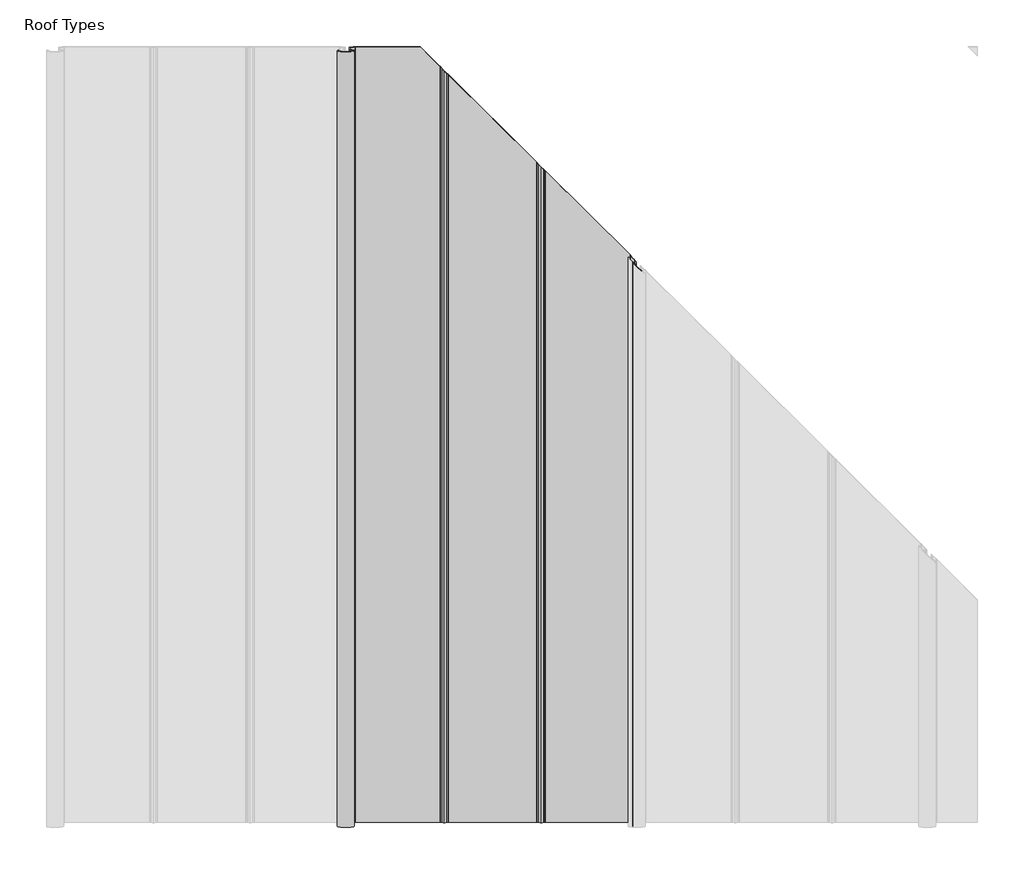
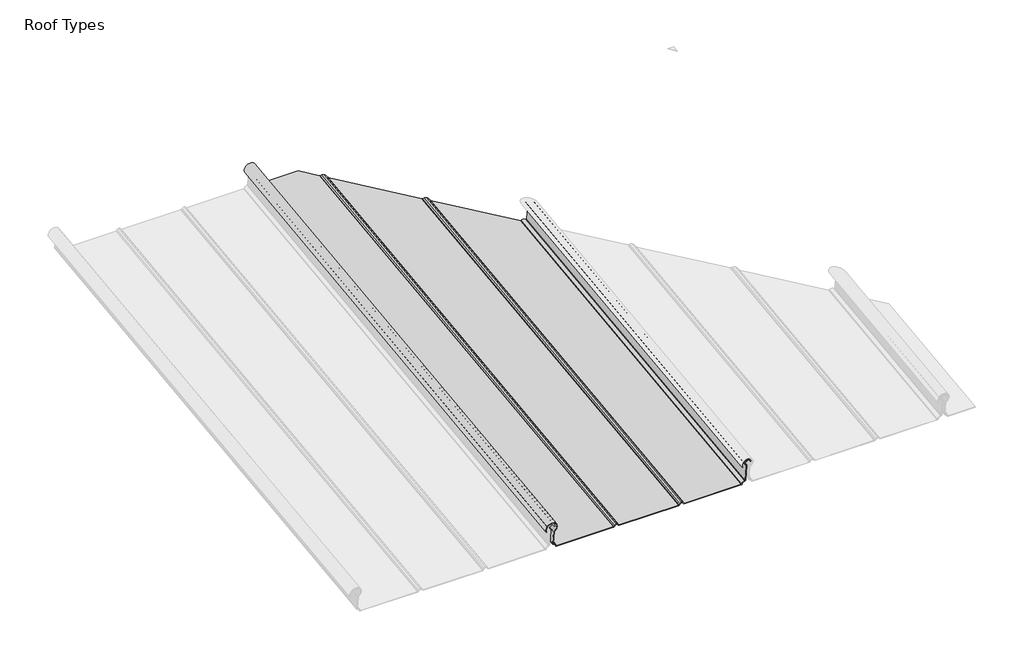
# One storey, part 2 of 3: 1 plate.
"""IFC4 building model written with IfcOpenShell, lengths in millimetres."""

import ifcopenshell
import ifcopenshell.guid

model = None  # the IFC model being written
_history = None  # IfcOwnerHistory: only IFC2X3 demands one
_inside = {}  # id of a spatial element -> (the spatial element, [elements in it])
_under = {}  # id of a project, library or spatial element -> (it, [spatial elements below it])
_declared = {}  # id of a project -> (the project, [libraries it declares])
_typed = {}  # id of a type object -> (the type object, [elements of that type])
_made_of = {}  # id of a material, layer set ... -> (it, [elements and type objects made of it])


def new_model(schema):
    """Start an empty IFC model of exactly this schema.

    Asked for "IFC4X3", IfcOpenShell would pick the latest addendum, in which some entities
    have other attributes; the version numbers below select the first issue.
    IFC2X3 requires an IfcOwnerHistory on every rooted entity: one is made here for all.
    """
    global model, _history
    if schema == "IFC4X3":
        model = ifcopenshell.file(schema_version=(4, 3, 0, 0))
    else:
        model = ifcopenshell.file(schema=schema)
    _inside.clear()
    _under.clear()
    _declared.clear()
    _typed.clear()
    _made_of.clear()
    _history = None
    if model.schema == "IFC2X3":
        org = make("IfcOrganization", Name="unknown")
        user = make(
            "IfcPersonAndOrganization",
            ThePerson=make("IfcPerson", FamilyName="unknown"),
            TheOrganization=org,
        )
        app = make(
            "IfcApplication",
            ApplicationDeveloper=org,
            Version="unknown",
            ApplicationFullName="unknown",
            ApplicationIdentifier="unknown",
        )
        _history = make(
            "IfcOwnerHistory",
            OwningUser=user,
            OwningApplication=app,
            ChangeAction="ADDED",
            CreationDate=0,
        )
    return model


def make(cls, **values):
    """One entity of the class cls with the attributes given. An attribute that is None is left unset."""
    return model.create_entity(
        cls, **{name: value for name, value in values.items() if value is not None}
    )


def rooted(cls, **values):
    """An entity with a GlobalId (a new one), such as an element, a storey or a relation."""
    return make(cls, GlobalId=ifcopenshell.guid.new(), OwnerHistory=_history, **values)


def si_unit(unit_type, name, prefix=None):
    """IfcSIUnit, for example si_unit("LENGTHUNIT", "METRE", prefix="MILLI")."""
    return make("IfcSIUnit", UnitType=unit_type, Prefix=prefix, Name=name)


def assignment(units):
    """IfcUnitAssignment: the units of a project."""
    return None if units is None else make("IfcUnitAssignment", Units=units)


def point(xyz):
    """IfcCartesianPoint."""
    return None if xyz is None else make("IfcCartesianPoint", Coordinates=xyz)


def direction(xyz):
    """IfcDirection."""
    return None if xyz is None else make("IfcDirection", DirectionRatios=xyz)


def frame(location, z_axis=None, x_axis=None):
    """IfcAxis2Placement3D, a coordinate frame: its origin and axes. An axis left out is left unset."""
    return make(
        "IfcAxis2Placement3D",
        Location=point(location),
        Axis=direction(z_axis),
        RefDirection=direction(x_axis),
    )


def origin():
    """The frame at (0, 0, 0) with its axes left unset."""
    return frame((0.0, 0.0, 0.0))


def place(relative_to, where):
    """IfcLocalPlacement: puts the frame where relative to a parent placement (None: the world)."""
    return make(
        "IfcLocalPlacement", PlacementRelTo=relative_to, RelativePlacement=where
    )


def context(
    kind, dimensions, precision=None, world=None, true_north=None, identifier=None
):
    """IfcGeometricRepresentationContext, for example the 3D "Model" context."""
    return make(
        "IfcGeometricRepresentationContext",
        ContextIdentifier=identifier,
        ContextType=kind,
        CoordinateSpaceDimension=dimensions,
        Precision=precision,
        WorldCoordinateSystem=world,
        TrueNorth=true_north,
    )


def project(units=None, contexts=None):
    """IfcProject with its units and contexts."""
    return rooted(
        "IfcProject",
        Name="project",
        RepresentationContexts=contexts,
        UnitsInContext=assignment(units),
    )


def spatial(cls, under=None, at=None, **own):
    """A site, building, storey or space (cls), placed at a placement, below another one or the project."""
    s = rooted(cls, ObjectPlacement=at, **own)
    if under is not None:
        _under.setdefault(under.id(), (under, []))[1].append(s)
    return s


def polyline(points):
    """IfcPolyline through the points."""
    return make("IfcPolyline", Points=[point(p) for p in points])


def circle_curve(where, radius):
    """IfcCircle in the frame where."""
    return make("IfcCircle", Position=where, Radius=radius)


def ellipse_curve(where, semi_axis1, semi_axis2):
    """IfcEllipse in the frame where."""
    return make(
        "IfcEllipse", Position=where, SemiAxis1=semi_axis1, SemiAxis2=semi_axis2
    )


def shape(context_of_items, identifier, shape_type, items):
    """IfcShapeRepresentation: the items that make up one representation, for example the "Body"."""
    return make(
        "IfcShapeRepresentation",
        ContextOfItems=context_of_items,
        RepresentationIdentifier=identifier,
        RepresentationType=shape_type,
        Items=items,
    )


def made_of(thing, what):
    """Note that an element or type object is made of a material, layer set ...; save() writes the relation."""
    if what is not None:
        _made_of.setdefault(what.id(), (what, []))[1].append(thing)
    return thing


def element(
    cls,
    number,
    at=None,
    inside=None,
    cuts=None,
    type_object=None,
    material=None,
    context=None,
    identifier="Body",
    shape_type=None,
    held_by="IfcProductDefinitionShape",
    body=None,
    shapes=None,
    **own,
):
    """One element of the class cls, such as IfcWall. Its Tag is "e" and its number.

    at: its placement. inside: the storey or other place that contains it. cuts: it is an
    opening in that element (IfcRelVoidsElement). A single representation is given by context,
    identifier, shape_type and body (its items); several are given by shapes. held_by: the class
    of the entity that holds the representations. save() writes the other relations.
    """
    e = rooted(cls, Tag="e%d" % number, ObjectPlacement=at, **own)
    if body is not None:
        shapes = [shape(context, identifier, shape_type, body)]
    if shapes is not None:
        e.Representation = make(held_by, Representations=shapes)
    if inside is not None:
        _inside.setdefault(inside.id(), (inside, []))[1].append(e)
    if cuts is not None:
        rooted(
            "IfcRelVoidsElement", RelatingBuildingElement=cuts, RelatedOpeningElement=e
        )
    if type_object is not None:
        _typed.setdefault(type_object.id(), (type_object, []))[1].append(e)
    return made_of(e, material)


def aggregate(whole, parts):
    """IfcRelAggregates: a whole, such as a stair, and the parts it consists of."""
    return rooted("IfcRelAggregates", RelatingObject=whole, RelatedObjects=parts)


def save(model, path):
    """Write the relations noted so far, then the file.

    IfcRelAggregates (storeys below a building ...), IfcRelContainedInSpatialStructure (elements
    in a storey), IfcRelDefinesByType, IfcRelAssociatesMaterial and IfcRelDeclares: one each for
    every whole, place, type object, material and project.
    """
    for whole, parts in _under.values():
        aggregate(whole, parts)
    for where, things in _inside.values():
        rooted(
            "IfcRelContainedInSpatialStructure",
            RelatedElements=things,
            RelatingStructure=where,
        )
    for kind, things in _typed.values():
        rooted("IfcRelDefinesByType", RelatedObjects=things, RelatingType=kind)
    for what, things in _made_of.values():
        rooted("IfcRelAssociatesMaterial", RelatedObjects=things, RelatingMaterial=what)
    for by, libraries in _declared.values():
        rooted("IfcRelDeclares", RelatingContext=by, RelatedDefinitions=libraries)
    model.write(path)


def plane_surface(at):
    """IfcPlane: the flat surface through the origin of the frame at, square to its z axis."""
    return make("IfcPlane", Position=at)


def cylinder_surface(at, radius):
    """IfcCylindricalSurface: all points at the distance radius from the z axis of the frame at."""
    return make("IfcCylindricalSurface", Position=at, Radius=radius)


def revolved_surface(curve, axis_point, axis_direction):
    """IfcSurfaceOfRevolution: the curve turned about the line through axis_point along axis_direction."""
    return make(
        "IfcSurfaceOfRevolution",
        SweptCurve=make("IfcArbitraryOpenProfileDef", ProfileType="CURVE", Curve=curve),
        AxisPosition=make("IfcAxis1Placement", Location=point(axis_point), Axis=direction(axis_direction)),
    )


def advanced_brep(points, edges, surfaces, faces):
    """IfcAdvancedBrep: a solid bounded by faces that lie on surfaces and meet in shared edges.

    An edge is (start, end): straight between two places in points (the first is 0);
    or (start, end, curve); or (start, end, curve, False) where it runs against its curve.
    A face is (place in surfaces, loops), or (place, loops, False) where it looks against
    its surface's normal. A loop lists edges by number (the first is 1), with a minus sign
    where the edge is run from its end to its start. The first loop is the outer one.
    """
    corners = [point(p) for p in points]
    vertices = [make("IfcVertexPoint", VertexGeometry=c) for c in corners]
    made = []
    for start, end, *more in edges:
        made.append(
            make(
                "IfcEdgeCurve",
                EdgeStart=vertices[start],
                EdgeEnd=vertices[end],
                EdgeGeometry=more[0] if more else make("IfcPolyline", Points=[corners[start], corners[end]]),
                SameSense=more[1] if len(more) > 1 else True,
            )
        )
    hull = []
    for where, loops, *sense in faces:
        bounds = []
        for j, loop in enumerate(loops):
            ring = [make("IfcOrientedEdge", EdgeElement=made[abs(k) - 1], Orientation=k > 0) for k in loop]
            bounds.append(
                make(
                    "IfcFaceOuterBound" if j == 0 else "IfcFaceBound",
                    Bound=make("IfcEdgeLoop", EdgeList=ring),
                    Orientation=True,
                )
            )
        hull.append(make("IfcAdvancedFace", Bounds=bounds, FaceSurface=surfaces[where], SameSense=sense[0] if sense else True))
    return make("IfcAdvancedBrep", Outer=make("IfcClosedShell", CfsFaces=hull))


model = new_model("IFC4")

# Units and contexts
model_context = context("Model", 3, world=origin())
ifc_project = project(units=[si_unit("LENGTHUNIT", "METRE", prefix="MILLI")], contexts=[model_context])

# Site, building, storey
site = spatial("IfcSite", under=ifc_project)
building = spatial("IfcBuilding", under=site)
storey = spatial("IfcBuildingStorey", under=building, Name="Roof Types", Elevation=2400.0)

# Plate
placement = place(None, origin())
element("IfcPlate", 1, at=placement, inside=storey, context=model_context, shape_type="AdvancedBrep", body=[
    advanced_brep(
    [(-183.6247248, 13315.1140164, 41.59074), (-202.0517671, 13314.4813104, 46.7437172), (-201.1602812, 13314.4219175, 47.2274334), (-184.6407248, 13315.0404241, 42.1901011), (-184.6407248, 13319.0591483, 9.4602195), (-182.3697344, 13319.3359124, 7.2061566), (-177.2278209, 13319.962554, 2.1025701), (-175.1094609, 13320.2207172, 0.0), (-42.3503564, 13320.2207172, 0.0), (-40.6664291, 13320.093939, 1.0325252), (-38.4198687, 13319.7552396, 3.7910104), (-35.4823916, 13319.5449191, 5.5039334), (-32.5445689, 13319.7551679, 3.7915944), (-30.2918084, 13320.094663, 1.0266291), (-28.5386633, 13320.2207172, 0.0), (109.9830552, 13320.2207172, 0.0), (111.6669825, 13320.093939, 1.0325252), (113.9135429, 13319.7552396, 3.7910104), (116.85102, 13319.5449191, 5.5039334), (119.7888427, 13319.7551679, 3.7915944), (122.0416031, 13320.094663, 1.0266291), (123.7947483, 13320.2207172, 0.0), (256.4780111, 13320.2207172, 0.0), (258.5963711, 13319.962554, 2.1025701), (263.7382846, 13319.3359124, 7.2061566), (266.0092751, 13319.0591483, 9.4602195), (266.0092751, 13314.3398003, 47.8962246), (264.3510259, 13313.9998723, 50.6647154), (261.3320062, 13313.1306946, 57.7435998), (262.5458338, 13312.9930366, 58.8647344), (264.3485836, 13312.7651145, 60.7210105), (265.4327985, 13312.6122305, 61.9661508), (273.5389478, 13313.3382534, 56.0531693), (274.5549331, 13313.338919, 56.0477485), (265.1242045, 13312.4942609, 62.9269364), (263.3460921, 13312.7449907, 60.8849063), (262.3440026, 13312.8716851, 59.8530633), (260.3533253, 13313.0974442, 58.0144026), (263.8656656, 13314.1086493, 49.7787984), (264.9932752, 13314.3398003, 47.8962246), (264.9932752, 13319.0591483, 9.4602195), (263.7382846, 13319.2120931, 8.2145835), (257.5803711, 13319.962554, 2.1025701), (256.4780111, 13320.0968979, 1.0084269), (123.8583311, 13320.0968979, 1.0084269), (122.7297066, 13320.0175548, 1.6546249), (120.4769461, 13319.6780597, 4.4195902), (116.8509418, 13319.4193672, 6.526472), (113.2253597, 13319.6781482, 4.4188695), (110.9731572, 13320.0176982, 1.6534564), (109.8500289, 13320.0968979, 1.0084269), (-28.4750805, 13320.0968979, 1.0084269), (-29.603705, 13320.0175548, 1.6546249), (-31.8564654, 13319.6780597, 4.4195902), (-35.4824698, 13319.4193672, 6.526472), (-39.1080519, 13319.6781482, 4.4188695), (-41.3602544, 13320.0176982, 1.6534564), (-42.4833827, 13320.0968979, 1.0084269), (-175.1094609, 13320.0968979, 1.0084269), (-176.2118209, 13319.962554, 2.1025701), (-182.3697344, 13319.2120931, 8.2145835), (-183.6247248, 13319.0591483, 9.4602195), (-183.6247248, 14534.3140164, 191.2896767), (-183.6247248, 14538.2591483, 159.1591561), (-182.3697344, 14538.4120931, 157.9135201), (-176.2118209, 14539.162554, 151.8015067), (-175.1094609, 14539.2968979, 150.7073635), (-73.5367456, 14539.2968979, 150.7073635), (-73.5367456, 14539.4207172, 149.6989367), (-175.1094609, 14539.4207172, 149.6989367), (-177.2278209, 14539.162554, 151.8015067), (-182.3697344, 14538.5359124, 156.9050932), (-184.6407248, 14538.2591483, 159.1591561), (-184.6407248, 14534.2404241, 191.8890378), (-201.1602812, 14533.6219175, 196.9263701), (-202.0517671, 14533.6813104, 196.4426538), (123.7947483, 14343.5601023, 125.6502771), (256.4780111, 14211.8658404, 109.4802549), (258.5963711, 14209.5051072, 111.3246619), (263.7382846, 14203.7748791, 115.8016068), (266.0092751, 14201.2440522, 117.7789055), (266.0092751, 14196.5247041, 156.2149107), (264.3510259, 14197.8306651, 159.1854912), (261.3320062, 14199.9580037, 166.6323016), (262.5458338, 14198.6155658, 167.6055077), (264.3485836, 14196.5983314, 169.2420839), (265.4327985, 14195.369314, 170.3550917), (273.5389478, 14188.0496096, 163.4542191), (274.5549331, 14187.0418629, 163.3249808), (265.1242045, 14195.5576382, 171.3534854), (263.3460921, 14197.5732266, 169.5281527), (262.3440026, 14198.694541, 168.6184337), (260.3533253, 14200.8961393, 167.0223756), (263.8656656, 14198.4211844, 158.3587247), (264.9932752, 14197.5331309, 156.3387299), (264.9932752, 14202.252479, 117.9027248), (263.7382846, 14203.6510599, 116.8100337), (257.5803711, 14210.5135341, 111.4484811), (256.4780111, 14211.7420212, 110.4886818), (-42.4833827, 14508.475002, 146.9229106), (-28.5386633, 14494.7580438, 144.2150499), (109.9830552, 14357.2688452, 127.333499), (111.6669825, 14355.4706915, 128.1608051), (113.9135429, 14352.9021772, 130.6455035), (116.85102, 14349.776275, 132.0004381), (119.7888427, 14347.0705992, 129.9300685), (122.0416031, 14345.1741256, 126.8905608), (123.8583311, 14343.3731742, 126.6509552), (122.7297066, 14344.414043, 127.4346979), (120.4769461, 14346.3105166, 130.4742056), (116.8509418, 14349.6508007, 133.0229862), (113.2253597, 14353.5081393, 131.357231), (110.9731572, 14356.0831043, 128.8662924), (109.8500289, 14357.2770606, 128.3581377), (-42.3503564, 14508.4667866, 145.8982719), (-40.6664291, 14506.6686329, 146.7255779), (-38.4198687, 14504.1001186, 149.2102764), (-35.4823916, 14500.9742165, 150.5652109), (-32.5445689, 14498.2685406, 148.4948413), (-30.2918084, 14496.372067, 145.4553336), (-28.4750805, 14494.5711157, 145.215728), (-29.603705, 14495.6119844, 145.9994707), (-31.8564654, 14497.5084581, 149.0389784), (-35.4824698, 14500.8487422, 151.587759), (-39.1080519, 14504.7060808, 149.9220038), (-41.3602544, 14507.2810457, 147.4310652)],
    [
        (0, 1, circle_curve(frame((-190.2963131, 13313.6981344, 53.1221735), z_axis=(0.0, -0.9925461516413204, -0.1218693434051611), x_axis=(-1.0, 0.0, 0.0)), 13.3973418)),
        (1, 2),
        (2, 3, circle_curve(frame((-190.2963131, 13313.6981344, 53.1221735), z_axis=(0.0, 0.9925461516413204, 0.1218693434051611), x_axis=(-1.0, 0.0, 0.0)), 12.3813418)),
        (3, 4),
        (4, 5, circle_curve(frame((-182.3697343, 13319.0591483, 9.4602195), z_axis=(0.0, -0.9925461516413204, -0.1218693434051611), x_axis=(-1.0, 0.0, 0.0)), 2.2709905)),
        (5, 6, circle_curve(frame((-182.3697344, 13319.962554, 2.1025701), z_axis=(0.0, 0.9925461516413204, 0.1218693434051611), x_axis=(-1.0, 0.0, 0.0)), 5.1419136)),
        (6, 7, circle_curve(frame((-175.1094609, 13319.962554, 2.1025701), z_axis=(0.0, -0.9925461516413204, -0.1218693434051611), x_axis=(-1.0, 0.0, 0.0)), 2.11836)),
        (7, 8),
        (8, 9, circle_curve(frame((-42.6242723, 13319.9371951, 2.3091021), z_axis=(0.0, -0.9925461516413204, -0.1218693434051611), x_axis=(-1.0, 0.0, 0.0)), 2.342513)),
        (9, 10),
        (10, 11, circle_curve(frame((-35.1716276, 13320.0192103, 1.6411417), z_axis=(0.0, 0.9925461516413204, 0.1218693434051611), x_axis=(-1.0, 0.0, 0.0)), 3.9041883)),
        (11, 12, circle_curve(frame((-35.7923761, 13320.0192179, 1.64108), z_axis=(0.0, 0.9925461516413204, 0.1218693434051611), x_axis=(-1.0, 0.0, 0.0)), 3.9041883)),
        (12, 13),
        (13, 14, circle_curve(frame((-28.3431241, 13319.936233, 2.3169377), z_axis=(0.0, -0.9925461516413204, -0.1218693434051611), x_axis=(-1.0, 0.0, 0.0)), 2.342513)),
        (14, 15),
        (15, 16, circle_curve(frame((109.7091393, 13319.9371951, 2.3091021), z_axis=(0.0, -0.9925461516413204, -0.1218693434051611), x_axis=(-1.0, 0.0, 0.0)), 2.342513)),
        (16, 17),
        (17, 18, circle_curve(frame((117.161784, 13320.0192103, 1.6411417), z_axis=(0.0, 0.9925461516413204, 0.1218693434051611), x_axis=(-1.0, 0.0, 0.0)), 3.9041883)),
        (18, 19, circle_curve(frame((116.5410355, 13320.0192179, 1.64108), z_axis=(0.0, 0.9925461516413204, 0.1218693434051611), x_axis=(-1.0, 0.0, 0.0)), 3.9041883)),
        (19, 20),
        (20, 21, circle_curve(frame((123.9902875, 13319.936233, 2.3169377), z_axis=(0.0, -0.9925461516413204, -0.1218693434051611), x_axis=(-1.0, 0.0, 0.0)), 2.342513)),
        (21, 22),
        (22, 23, circle_curve(frame((256.4780111, 13319.962554, 2.1025701), z_axis=(0.0, -0.9925461516413204, -0.1218693434051611), x_axis=(-1.0, 0.0, 0.0)), 2.11836)),
        (23, 24, circle_curve(frame((263.7382847, 13319.962554, 2.1025701), z_axis=(0.0, 0.9925461516413204, 0.1218693434051611), x_axis=(-1.0, 0.0, 0.0)), 5.1419136)),
        (24, 25, circle_curve(frame((263.7382846, 13319.0591483, 9.4602195), z_axis=(0.0, -0.9925461516413204, -0.1218693434051611), x_axis=(-1.0, 0.0, 0.0)), 2.2709905)),
        (25, 26),
        (26, 27, circle_curve(frame((262.8342752, 13314.3398003, 47.8962246), z_axis=(0.0, -0.9925461516413204, -0.1218693434051611), x_axis=(-1.0, 0.0, 0.0)), 3.175)),
        (27, 28, circle_curve(frame((267.3213293, 13313.3341801, 56.0863433), z_axis=(0.0, 0.9925461516413204, 0.1218693434051611), x_axis=(-1.0, 0.0, 0.0)), 6.2177083)),
        (28, 29, circle_curve(frame((262.8611951, 13313.1826484, 57.3204705), z_axis=(0.0, 0.9925461516413204, 0.1218693434051611), x_axis=(-1.0, 0.0, 0.0)), 1.5875)),
        (29, 30, circle_curve(frame((262.091395, 13312.7198041, 61.0900347), z_axis=(0.0, -0.9925461516413204, -0.1218693434051611), x_axis=(-1.0, 0.0, 0.0)), 2.287604)),
        (30, 31, circle_curve(frame((265.9149766, 13312.7965581, 60.4649234), z_axis=(0.0, 0.9925461516413204, 0.1218693434051611), x_axis=(-1.0, 0.0, 0.0)), 1.5875)),
        (31, 32, circle_curve(frame((267.3213293, 13313.3341801, 56.0863433), z_axis=(0.0, 0.9925461516413204, 0.1218693434051611), x_axis=(-1.0, 0.0, 0.0)), 6.2177083)),
        (32, 33),
        (33, 34, circle_curve(frame((267.3213293, 13313.3341801, 56.0863433), z_axis=(0.0, -0.9925461516413204, -0.1218693434051611), x_axis=(-1.0, 0.0, 0.0)), 7.2337083)),
        (34, 35, circle_curve(frame((265.9149766, 13312.7965581, 60.4649234), z_axis=(0.0, -0.9925461516413204, -0.1218693434051611), x_axis=(-1.0, 0.0, 0.0)), 2.6035)),
        (35, 36, circle_curve(frame((262.091395, 13312.7198041, 61.0900347), z_axis=(0.0, 0.9925461516413204, 0.1218693434051611), x_axis=(-1.0, 0.0, 0.0)), 1.271604)),
        (36, 37, circle_curve(frame((262.8611951, 13313.1826484, 57.3204705), z_axis=(0.0, -0.9925461516413204, -0.1218693434051611), x_axis=(-1.0, 0.0, 0.0)), 2.6035)),
        (37, 38, circle_curve(frame((267.3213293, 13313.3341801, 56.0863433), z_axis=(0.0, -0.9925461516413204, -0.1218693434051611), x_axis=(-1.0, 0.0, 0.0)), 7.2337083)),
        (38, 39, circle_curve(frame((262.8342752, 13314.3398003, 47.8962246), z_axis=(0.0, 0.9925461516413204, 0.1218693434051611), x_axis=(-1.0, 0.0, 0.0)), 2.159)),
        (39, 40),
        (40, 41, circle_curve(frame((263.7382846, 13319.0591483, 9.4602195), z_axis=(0.0, 0.9925461516413204, 0.1218693434051611), x_axis=(-1.0, 0.0, 0.0)), 1.2549905)),
        (41, 42, circle_curve(frame((263.7382847, 13319.962554, 2.1025701), z_axis=(0.0, -0.9925461516413204, -0.1218693434051611), x_axis=(-1.0, 0.0, 0.0)), 6.1579136)),
        (42, 43, circle_curve(frame((256.4780111, 13319.962554, 2.1025701), z_axis=(0.0, 0.9925461516413204, 0.1218693434051611), x_axis=(-1.0, 0.0, 0.0)), 1.10236)),
        (43, 44),
        (44, 45, circle_curve(frame((124.0068821, 13319.9066227, 2.5580937), z_axis=(0.0, 0.9925461516413204, 0.1218693434051611), x_axis=(-1.0, 0.0, 0.0)), 1.5683556)),
        (45, 46),
        (46, 47, circle_curve(frame((116.5410355, 13319.9906547, 1.873708), z_axis=(0.0, -0.9925461516413204, -0.1218693434051611), x_axis=(-1.0, 0.0, 0.0)), 4.6979383)),
        (47, 48, circle_curve(frame((117.1617838, 13319.9906472, 1.8737696), z_axis=(0.0, -0.9925461516413204, -0.1218693434051611), x_axis=(-1.0, 0.0, 0.0)), 4.6979382)),
        (48, 49),
        (49, 50, circle_curve(frame((109.6988758, 13319.9071872, 2.5534969), z_axis=(0.0, 0.9925461516413204, 0.1218693434051611), x_axis=(-1.0, 0.0, 0.0)), 1.5639945)),
        (50, 51),
        (51, 52, circle_curve(frame((-28.3265295, 13319.9066227, 2.5580937), z_axis=(0.0, 0.9925461516413204, 0.1218693434051611), x_axis=(-1.0, 0.0, 0.0)), 1.5683556)),
        (52, 53),
        (53, 54, circle_curve(frame((-35.7923761, 13319.9906547, 1.873708), z_axis=(0.0, -0.9925461516413204, -0.1218693434051611), x_axis=(-1.0, 0.0, 0.0)), 4.6979383)),
        (54, 55, circle_curve(frame((-35.1716278, 13319.9906472, 1.8737696), z_axis=(0.0, -0.9925461516413204, -0.1218693434051611), x_axis=(-1.0, 0.0, 0.0)), 4.6979382)),
        (55, 56),
        (56, 57, circle_curve(frame((-42.6345358, 13319.9071872, 2.5534969), z_axis=(0.0, 0.9925461516413204, 0.1218693434051611), x_axis=(-1.0, 0.0, 0.0)), 1.5639945)),
        (57, 58),
        (58, 59, circle_curve(frame((-175.1094609, 13319.962554, 2.1025701), z_axis=(0.0, 0.9925461516413204, 0.1218693434051611), x_axis=(-1.0, 0.0, 0.0)), 1.10236)),
        (59, 60, circle_curve(frame((-182.3697344, 13319.962554, 2.1025701), z_axis=(0.0, -0.9925461516413204, -0.1218693434051611), x_axis=(-1.0, 0.0, 0.0)), 6.1579136)),
        (60, 61, circle_curve(frame((-182.3697343, 13319.0591483, 9.4602195), z_axis=(0.0, 0.9925461516413204, 0.1218693434051611), x_axis=(-1.0, 0.0, 0.0)), 1.2549905)),
        (61, 0),
        (62, 63),
        (63, 64, circle_curve(frame((-182.3697343, 14538.2591483, 159.1591561), z_axis=(0.0, -0.9925461516413204, -0.1218693434051611), x_axis=(-1.0, 0.0, 0.0)), 1.2549905)),
        (64, 65, circle_curve(frame((-182.3697344, 14539.162554, 151.8015067), z_axis=(0.0, 0.9925461516413204, 0.1218693434051611), x_axis=(-1.0, 0.0, 0.0)), 6.1579136)),
        (65, 66, circle_curve(frame((-175.1094609, 14539.162554, 151.8015067), z_axis=(0.0, -0.9925461516413204, -0.1218693434051611), x_axis=(-1.0, 0.0, 0.0)), 1.10236)),
        (66, 67),
        (67, 68),
        (68, 69),
        (69, 70, circle_curve(frame((-175.1094609, 14539.162554, 151.8015067), z_axis=(0.0, 0.9925461516413204, 0.1218693434051611), x_axis=(-1.0, 0.0, 0.0)), 2.11836)),
        (70, 71, circle_curve(frame((-182.3697344, 14539.162554, 151.8015067), z_axis=(0.0, -0.9925461516413204, -0.1218693434051611), x_axis=(-1.0, 0.0, 0.0)), 5.1419136)),
        (71, 72, circle_curve(frame((-182.3697343, 14538.2591483, 159.1591561), z_axis=(0.0, 0.9925461516413204, 0.1218693434051611), x_axis=(-1.0, 0.0, 0.0)), 2.2709905)),
        (72, 73),
        (73, 74, circle_curve(frame((-190.2963131, 14532.8981344, 202.8211101), z_axis=(0.0, -0.9925461516413204, -0.1218693434051611), x_axis=(-1.0, 0.0, 0.0)), 12.3813418)),
        (74, 75),
        (75, 62, circle_curve(frame((-190.2963131, 14532.8981344, 202.8211101), z_axis=(0.0, 0.9925461516413204, 0.1218693434051611), x_axis=(-1.0, 0.0, 0.0)), 13.3973418)),
        (0, 62),
        (75, 1),
        (74, 2),
        (73, 3),
        (72, 4),
        (71, 5),
        (70, 6),
        (69, 7),
        (21, 76),
        (76, 77),
        (77, 22),
        (77, 78, ellipse_curve(frame((256.4780111, 14211.6076773, 111.582825), z_axis=(-0.7071067811865493, -0.7018361144661881, -0.08617463914053403), x_axis=(0.7071067811865458, -0.7018361144661898, -0.0861746391405489)), 2.9958134, 2.11836)),
        (78, 23),
        (78, 79, ellipse_curve(frame((263.7382847, 14204.4015207, 110.6980202), z_axis=(0.7071067811865493, 0.7018361144661881, 0.08617463914053403), x_axis=(-0.7071067811865458, 0.7018361144661898, 0.0861746391405489)), 7.2717639, 5.1419136)),
        (79, 24),
        (79, 80, ellipse_curve(frame((263.7382846, 14203.498115, 118.0556696), z_axis=(-0.7071067811865493, -0.7018361144661881, -0.08617463914053403), x_axis=(0.7071067811865458, -0.7018361144661898, -0.0861746391405489)), 3.2116656, 2.2709905)),
        (80, 25),
        (80, 81),
        (81, 26),
        (81, 82, ellipse_curve(frame((262.8342752, 14199.6760381, 156.6018458), z_axis=(-0.7071067811865493, -0.7018361144661881, -0.08617463914053403), x_axis=(0.7071067811865458, -0.7018361144661898, -0.0861746391405489)), 4.4901281, 3.175)),
        (82, 27),
        (82, 83, ellipse_curve(frame((267.3213293, 14194.2168097, 164.2451301), z_axis=(0.7071067811865493, 0.7018361144661881, 0.08617463914053403), x_axis=(-0.7071067811865458, 0.7018361144661898, 0.0861746391405489)), 8.7931675, 6.2177083)),
        (83, 28),
        (83, 84, ellipse_curve(frame((262.8611951, 14198.4921669, 166.022811), z_axis=(0.7071067811865493, 0.7018361144661881, 0.08617463914053403), x_axis=(-0.7071067811865458, 0.7018361144661898, 0.0861746391405489)), 2.245064, 1.5875)),
        (84, 29),
        (84, 85, ellipse_curve(frame((262.091395, 14198.7933847, 169.8861902), z_axis=(-0.7071067811865493, -0.7018361144661881, -0.08617463914053403), x_axis=(0.7071067811865458, -0.7018361144661898, -0.0861746391405489)), 3.2351607, 2.287604)),
        (85, 30),
        (85, 86, ellipse_curve(frame((265.9149766, 14195.0750576, 168.7951015), z_axis=(0.7071067811865493, 0.7018361144661881, 0.08617463914053403), x_axis=(-0.7071067811865458, 0.7018361144661898, 0.0861746391405489)), 2.245064, 1.5875)),
        (86, 31),
        (86, 87, ellipse_curve(frame((267.3213293, 14194.2168097, 164.2451301), z_axis=(0.7071067811865493, 0.7018361144661881, 0.08617463914053403), x_axis=(-0.7071067811865458, 0.7018361144661898, 0.0861746391405489)), 8.7931675, 6.2177083)),
        (87, 32),
        (87, 88),
        (88, 33),
        (88, 89, ellipse_curve(frame((267.3213293, 14194.2168097, 164.2451301), z_axis=(-0.7071067811865493, -0.7018361144661881, -0.08617463914053403), x_axis=(0.7071067811865458, -0.7018361144661898, -0.0861746391405489)), 10.2300084, 7.2337083)),
        (89, 34),
        (89, 90, ellipse_curve(frame((265.9149766, 14195.0750576, 168.7951015), z_axis=(-0.7071067811865493, -0.7018361144661881, -0.08617463914053403), x_axis=(0.7071067811865458, -0.7018361144661898, -0.0861746391405489)), 3.681905, 2.6035)),
        (90, 35),
        (90, 91, ellipse_curve(frame((262.091395, 14198.7933847, 169.8861902), z_axis=(0.7071067811865493, 0.7018361144661881, 0.08617463914053403), x_axis=(-0.7071067811865458, 0.7018361144661898, 0.0861746391405489)), 1.7983197, 1.271604)),
        (91, 36),
        (91, 92, ellipse_curve(frame((262.8611951, 14198.4921669, 166.022811), z_axis=(-0.7071067811865493, -0.7018361144661881, -0.08617463914053403), x_axis=(0.7071067811865458, -0.7018361144661898, -0.0861746391405489)), 3.681905, 2.6035)),
        (92, 37),
        (92, 93, ellipse_curve(frame((267.3213293, 14194.2168097, 164.2451301), z_axis=(-0.7071067811865493, -0.7018361144661881, -0.08617463914053403), x_axis=(0.7071067811865458, -0.7018361144661898, -0.0861746391405489)), 10.2300084, 7.2337083)),
        (93, 38),
        (93, 94, ellipse_curve(frame((262.8342752, 14199.6760381, 156.6018458), z_axis=(0.7071067811865493, 0.7018361144661881, 0.08617463914053403), x_axis=(-0.7071067811865458, 0.7018361144661898, 0.0861746391405489)), 3.0532871, 2.159)),
        (94, 39),
        (94, 95),
        (95, 40),
        (95, 96, ellipse_curve(frame((263.7382846, 14203.498115, 118.0556696), z_axis=(0.7071067811865493, 0.7018361144661881, 0.08617463914053403), x_axis=(-0.7071067811865458, 0.7018361144661898, 0.0861746391405489)), 1.7748246, 1.2549905)),
        (96, 41),
        (96, 97, ellipse_curve(frame((263.7382847, 14204.4015207, 110.6980202), z_axis=(-0.7071067811865493, -0.7018361144661881, -0.08617463914053403), x_axis=(0.7071067811865458, -0.7018361144661898, -0.0861746391405489)), 8.7086049, 6.1579136)),
        (97, 42),
        (97, 98, ellipse_curve(frame((256.4780111, 14211.6076773, 111.582825), z_axis=(0.7071067811865493, 0.7018361144661881, 0.08617463914053403), x_axis=(-0.7071067811865458, 0.7018361144661898, 0.0861746391405489)), 1.5589725, 1.10236)),
        (98, 43),
        (57, 99),
        (99, 67),
        (66, 58),
        (65, 59),
        (64, 60),
        (63, 61),
        (14, 100),
        (100, 101),
        (101, 15),
        (101, 102, ellipse_curve(frame((109.7091393, 14357.2571972, 129.675983), z_axis=(-0.7071067811865493, -0.7018361144661881, -0.08617463914053403), x_axis=(0.7071067811865458, -0.7018361144661898, -0.0861746391405489)), 3.3128136, 2.342513)),
        (102, 16),
        (102, 103),
        (103, 17),
        (103, 104, ellipse_curve(frame((117.161784, 14349.9421187, 128.0997738), z_axis=(0.7071067811865493, 0.7018361144661881, 0.08617463914053403), x_axis=(-0.7071067811865458, 0.7018361144661898, 0.0861746391405489)), 5.521356, 3.9041883)),
        (104, 18),
        (104, 105, ellipse_curve(frame((116.5410355, 14350.5582477, 128.1753623), z_axis=(0.7071067811865493, 0.7018361144661881, 0.08617463914053403), x_axis=(-0.7071067811865458, 0.7018361144661898, 0.0861746391405489)), 5.521356, 3.9041883)),
        (105, 19),
        (105, 106),
        (106, 20),
        (106, 76, ellipse_curve(frame((123.9902875, 14343.0815365, 127.9433845), z_axis=(-0.7071067811865493, -0.7018361144661881, -0.08617463914053403), x_axis=(0.7071067811865458, -0.7018361144661898, -0.0861746391405489)), 3.3128136, 2.342513)),
        (98, 107),
        (107, 44),
        (107, 108, ellipse_curve(frame((124.0068821, 14343.0354553, 128.1825182), z_axis=(0.7071067811865493, 0.7018361144661881, 0.08617463914053403), x_axis=(-0.7071067811865458, 0.7018361144661898, 0.0861746391405489)), 2.2179898, 1.5683556)),
        (108, 45),
        (108, 109),
        (109, 46),
        (109, 110, ellipse_curve(frame((116.5410355, 14350.5296846, 128.4079903), z_axis=(-0.7071067811865493, -0.7018361144661881, -0.08617463914053403), x_axis=(0.7071067811865458, -0.7018361144661898, -0.0861746391405489)), 6.643888, 4.6979383)),
        (110, 47),
        (110, 111, ellipse_curve(frame((117.1617838, 14349.9135557, 128.3324017), z_axis=(-0.7071067811865493, -0.7018361144661881, -0.08617463914053403), x_axis=(0.7071067811865458, -0.7018361144661898, -0.0861746391405489)), 6.6438879, 4.6979382)),
        (111, 48),
        (111, 112),
        (112, 49),
        (112, 113, ellipse_curve(frame((109.6988758, 14357.2373764, 129.9216287), z_axis=(0.7071067811865493, 0.7018361144661881, 0.08617463914053403), x_axis=(-0.7071067811865458, 0.7018361144661898, 0.0861746391405489)), 2.2118223, 1.5639945)),
        (113, 50),
        (68, 114),
        (114, 8),
        (114, 115, ellipse_curve(frame((-42.6242723, 14508.4551386, 148.2407559), z_axis=(-0.7071067811865493, -0.7018361144661881, -0.08617463914053403), x_axis=(0.7071067811865458, -0.7018361144661898, -0.0861746391405489)), 3.3128136, 2.342513)),
        (115, 9),
        (115, 116),
        (116, 10),
        (116, 117, ellipse_curve(frame((-35.1716276, 14501.1400601, 146.6645466), z_axis=(0.7071067811865493, 0.7018361144661881, 0.08617463914053403), x_axis=(-0.7071067811865458, 0.7018361144661898, 0.0861746391405489)), 5.521356, 3.9041883)),
        (117, 11),
        (117, 118, ellipse_curve(frame((-35.7923761, 14501.7561892, 146.7401351), z_axis=(0.7071067811865493, 0.7018361144661881, 0.08617463914053403), x_axis=(-0.7071067811865458, 0.7018361144661898, 0.0861746391405489)), 5.521356, 3.9041883)),
        (118, 12),
        (118, 119),
        (119, 13),
        (119, 100, ellipse_curve(frame((-28.3431241, 14494.2794779, 146.5081573), z_axis=(-0.7071067811865493, -0.7018361144661881, -0.08617463914053403), x_axis=(0.7071067811865458, -0.7018361144661898, -0.0861746391405489)), 3.3128136, 2.342513)),
        (113, 120),
        (120, 51),
        (120, 121, ellipse_curve(frame((-28.3265295, 14494.2333967, 146.747291), z_axis=(0.7071067811865493, 0.7018361144661881, 0.08617463914053403), x_axis=(-0.7071067811865458, 0.7018361144661898, 0.0861746391405489)), 2.2179898, 1.5683556)),
        (121, 52),
        (121, 122),
        (122, 53),
        (122, 123, ellipse_curve(frame((-35.7923761, 14501.727626, 146.9727631), z_axis=(-0.7071067811865493, -0.7018361144661881, -0.08617463914053403), x_axis=(0.7071067811865458, -0.7018361144661898, -0.0861746391405489)), 6.643888, 4.6979383)),
        (123, 54),
        (123, 124, ellipse_curve(frame((-35.1716278, 14501.1114972, 146.8971745), z_axis=(-0.7071067811865493, -0.7018361144661881, -0.08617463914053403), x_axis=(0.7071067811865458, -0.7018361144661898, -0.0861746391405489)), 6.6438879, 4.6979382)),
        (124, 55),
        (124, 125),
        (125, 56),
        (125, 99, ellipse_curve(frame((-42.6345358, 14508.4353178, 148.4864016), z_axis=(0.7071067811865493, 0.7018361144661881, 0.08617463914053403), x_axis=(-0.7071067811865458, 0.7018361144661898, 0.0861746391405489)), 2.2118223, 1.5639945)),
    ],
    [
        plane_surface(frame((40.6842751, 13320.2207172, 0.0), z_axis=(0.0, -0.9925461516413204, -0.1218693434051611), x_axis=(0.0, -0.1218693434051611, 0.9925461516413204))),
        plane_surface(frame((40.6842751, 14539.4207172, 149.6989367), z_axis=(0.0, 0.9925461516413204, 0.1218693434051611), x_axis=(0.0, -0.1218693434051611, 0.9925461516413204))),
        cylinder_surface(frame((-190.2963131, 13313.6981344, 53.1221735), z_axis=(0.0, -0.9925461516413204, -0.1218693434051611), x_axis=(-1.0, 0.0, 0.0)), 13.3973418),
        plane_surface(frame((-202.0517671, 13314.4813104, 46.7437172), z_axis=(0.4796740622021276, 0.10693385894583032, -0.8709063921349199), x_axis=(0.0, 0.9925461516413204, 0.1218693434051611))),
        revolved_surface(polyline([(-202.6776549, 14532.898134430516, 202.8211101565852), (-202.6776549, 13313.698134390746, 53.12217349886383)]), (-190.2963131, 13313.6981344, 53.1221735), (0.0, 0.9925461516413204, 0.1218693434051611)),
        plane_surface(frame((-184.6407248, 13315.0404241, 42.1901011), z_axis=(-1.0000000000000002, 0.0, 0.0), x_axis=(0.0, 0.9925461516413204, 0.1218693434051611))),
        cylinder_surface(frame((-182.3697343, 13319.0591483, 9.4602195), z_axis=(0.0, -0.9925461516413204, -0.1218693434051611), x_axis=(-1.0, 0.0, 0.0)), 2.2709905),
        revolved_surface(polyline([(-187.511648, 14539.162554020635, 151.80150675537192), (-187.511648, 13319.962554, 2.1025701)]), (-182.3697344, 13319.962554, 2.1025701), (0.0, 0.9925461516413204, 0.1218693434051611)),
        cylinder_surface(frame((-175.1094609, 13319.962554, 2.1025701), z_axis=(0.0, -0.9925461516413204, -0.1218693434051611), x_axis=(-1.0, 0.0, 0.0)), 2.11836),
        plane_surface(frame((123.7947483, 13320.2207172, 0.0), z_axis=(0.0, 0.1218693434051611, -0.9925461516413204), x_axis=(0.0, 0.9925461516413204, 0.1218693434051611))),
        cylinder_surface(frame((256.4780111, 13319.962554, 2.1025701), z_axis=(0.0, -0.9925461516413204, -0.1218693434051611), x_axis=(-1.0, 0.0, 0.0)), 2.11836),
        revolved_surface(polyline([(258.5963711, 14209.505107212219, 111.32466190062338), (258.5963711, 13319.962554, 2.1025701)]), (263.7382847, 13319.962554, 2.1025701), (0.0, 0.9925461516413204, 0.1218693434051611)),
        cylinder_surface(frame((263.7382846, 13319.0591483, 9.4602195), z_axis=(0.0, -0.9925461516413204, -0.1218693434051611), x_axis=(-1.0, 0.0, 0.0)), 2.2709905),
        plane_surface(frame((266.0092751, 13319.0591483, 9.4602195), z_axis=(1.0000000000000002, 0.0, 0.0), x_axis=(0.0, 0.9925461516413204, 0.1218693434051611))),
        cylinder_surface(frame((262.8342752, 13314.3398003, 47.8962246), z_axis=(0.0, -0.9925461516413204, -0.1218693434051611), x_axis=(-1.0, 0.0, 0.0)), 3.175),
        revolved_surface(polyline([(261.103621, 14200.388172202078, 165.00287821743444), (261.103621, 13313.334180098936, 56.08634329986933)]), (267.3213293, 13313.3341801, 56.0863433), (0.0, 0.9925461516413204, 0.1218693434051611)),
        revolved_surface(polyline([(261.2736951, 14200.067833895431, 166.21627857236007), (261.2736951, 13313.18264834612, 57.32047049338425)]), (262.8611951, 13313.1826484, 57.3204705), (0.0, 0.9925461516413204, 0.1218693434051611)),
        cylinder_surface(frame((262.091395, 13312.7198041, 61.0900347), z_axis=(0.0, -0.9925461516413204, -0.1218693434051611), x_axis=(-1.0, 0.0, 0.0)), 2.287604),
        revolved_surface(polyline([(264.3274766, 14196.650724587811, 168.9885691344208), (264.3274766, 13312.796558042986, 60.46492339299947)]), (265.9149766, 13312.7965581, 60.4649234), (0.0, 0.9925461516413204, 0.1218693434051611)),
        revolved_surface(polyline([(261.103621, 14200.388172202078, 165.00287821743444), (261.103621, 13313.334180082347, 56.08634329783255)]), (267.3213293, 13313.3341801, 56.0863433), (0.0, 0.9925461516413204, 0.1218693434051611)),
        plane_surface(frame((273.5389478, 13313.3382534, 56.0531693), z_axis=(-0.0053754690124281235, 0.12186758264445287, -0.9925318113961357), x_axis=(0.0, 0.9925461516413204, 0.1218693434051611))),
        cylinder_surface(frame((267.3213293, 13313.3341801, 56.0863433), z_axis=(0.0, -0.9925461516413204, -0.1218693434051611), x_axis=(-1.0, 0.0, 0.0)), 7.2337083),
        cylinder_surface(frame((265.9149766, 13312.7965581, 60.4649234), z_axis=(0.0, -0.9925461516413204, -0.1218693434051611), x_axis=(-1.0, 0.0, 0.0)), 2.6035),
        revolved_surface(polyline([(260.81979099999995, 14200.055510408198, 170.04115977253323), (260.81979099999995, 13312.719804099484, 61.09003469993675)]), (262.091395, 13312.7198041, 61.0900347), (0.0, 0.9925461516413204, 0.1218693434051611)),
        cylinder_surface(frame((262.8611951, 13313.1826484, 57.3204705), z_axis=(0.0, -0.9925461516413204, -0.1218693434051611), x_axis=(-1.0, 0.0, 0.0)), 2.6035),
        revolved_surface(polyline([(260.6752752, 14201.818945253439, 156.86496172360557), (260.6752752, 13314.339800297439, 47.896224599685546)]), (262.8342752, 13314.3398003, 47.8962246), (0.0, 0.9925461516413204, 0.1218693434051611)),
        plane_surface(frame((264.9932752, 13314.3398003, 47.8962246), z_axis=(-1.0000000000000002, 0.0, 0.0), x_axis=(0.0, 0.9925461516413204, 0.1218693434051611))),
        revolved_surface(polyline([(262.48329409999997, 14204.743750992451, 118.20861454006842), (262.48329409999997, 13319.059148231725, 9.460219491616831)]), (263.7382846, 13319.0591483, 9.4602195), (0.0, 0.9925461516413204, 0.1218693434051611)),
        cylinder_surface(frame((263.7382847, 13319.962554, 2.1025701), z_axis=(0.0, -0.9925461516413204, -0.1218693434051611), x_axis=(-1.0, 0.0, 0.0)), 6.1579136),
        revolved_surface(polyline([(255.3756511, 14212.701820496442, 111.71716893755921), (255.3756511, 13319.962554, 2.1025701)]), (256.4780111, 13319.962554, 2.1025701), (0.0, 0.9925461516413204, 0.1218693434051611)),
        plane_surface(frame((-42.4833827, 13320.0968979, 1.0084269), z_axis=(0.0, -0.1218693434051611, 0.9925461516413204), x_axis=(0.0, 0.9925461516413204, 0.1218693434051611))),
        revolved_surface(polyline([(-176.2118209, 14539.16255400112, 151.8015067529756), (-176.2118209, 13319.962554, 2.1025701)]), (-175.1094609, 13319.962554, 2.1025701), (0.0, 0.9925461516413204, 0.1218693434051611)),
        cylinder_surface(frame((-182.3697344, 13319.962554, 2.1025701), z_axis=(0.0, -0.9925461516413204, -0.1218693434051611), x_axis=(-1.0, 0.0, 0.0)), 6.1579136),
        revolved_surface(polyline([(-183.6247248, 14538.259148293608, 159.15915615205338), (-183.6247248, 13319.059148231725, 9.460219491616831)]), (-182.3697343, 13319.0591483, 9.4602195), (0.0, 0.9925461516413204, 0.1218693434051611)),
        plane_surface(frame((-183.6247248, 13319.0591483, 9.4602195), z_axis=(1.0000000000000002, 0.0, 0.0), x_axis=(0.0, 0.9925461516413204, 0.1218693434051611))),
        plane_surface(frame((-28.5386633, 13320.2207172, 0.0), z_axis=(0.0, 0.12186934340516108, -0.9925461516413204), x_axis=(0.0, 0.9925461516413204, 0.12186934340516108))),
        cylinder_surface(frame((109.7091393, 13319.9371951, 2.3091021), z_axis=(0.0, -0.9925461516413204, -0.1218693434051611), x_axis=(-1.0, 0.0, 0.0)), 2.342513),
        plane_surface(frame((111.6669825, 13320.093939, 1.0325252), z_axis=(0.7776920218914171, 0.07661260990116454, -0.6239596357863), x_axis=(0.0, 0.9925461516413204, 0.12186934340516108))),
        revolved_surface(polyline([(113.2575957, 14353.817205745043, 128.5755746330368), (113.2575957, 13320.019210283, 1.6411416979126718)]), (117.161784, 13320.0192103, 1.6411417), (0.0, 0.9925461516413204, 0.1218693434051611)),
        revolved_surface(polyline([(112.6368472, 14354.43333474558, 128.65116312866462), (112.6368472, 13320.019217859168, 1.641079994986354)]), (116.5410355, 13320.0192179, 1.64108), (0.0, 0.9925461516413204, 0.1218693434051611)),
        plane_surface(frame((119.7888427, 13319.7551679, 3.7915944), z_axis=(-0.7775661118803054, 0.07663158865286841, -0.6241142053149265), x_axis=(0.0, 0.9925461516413204, 0.1218693434051611))),
        cylinder_surface(frame((123.9902875, 13319.936233, 2.3169377), z_axis=(0.0, -0.9925461516413204, -0.1218693434051611), x_axis=(-1.0, 0.0, 0.0)), 2.342513),
        plane_surface(frame((256.4780111, 13320.0968979, 1.0084269), z_axis=(0.0, -0.1218693434051611, 0.9925461516413204), x_axis=(0.0, 0.9925461516413204, 0.1218693434051611))),
        revolved_surface(polyline([(122.4385265, 14344.592120648249, 128.37365262916416), (122.4385265, 13319.9066227, 2.5580937)]), (124.0068821, 13319.9066227, 2.5580937), (0.0, 0.9925461516413204, 0.1218693434051611)),
        plane_surface(frame((122.7297066, 13320.0175548, 1.6546249), z_axis=(0.7775661119170466, -0.07663158864733144, 0.6241142052698314), x_axis=(0.0, 0.9925461516413204, 0.1218693434051611))),
        cylinder_surface(frame((116.5410355, 13319.9906547, 1.873708), z_axis=(0.0, -0.9925461516413204, -0.1218693434051611), x_axis=(-1.0, 0.0, 0.0)), 4.6979383),
        cylinder_surface(frame((117.1617838, 13319.9906472, 1.8737696), z_axis=(0.0, -0.9925461516413204, -0.1218693434051611), x_axis=(-1.0, 0.0, 0.0)), 4.6979382),
        plane_surface(frame((113.2253597, 13319.6781482, 4.4188695), z_axis=(-0.7776920219132858, -0.07661260989786754, 0.6239596357594479), x_axis=(0.0, 0.9925461516413204, 0.1218693434051611))),
        revolved_surface(polyline([(108.13488129999999, 14358.789713169857, 130.11223168092383), (108.13488129999999, 13319.907187123565, 2.5534968906148343)]), (109.6988758, 13319.9071872, 2.5534969), (0.0, 0.9925461516413204, 0.1218693434051611)),
        plane_surface(frame((-175.1094609, 13320.2207172, 0.0), z_axis=(0.0, 0.1218693434051611, -0.9925461516413204), x_axis=(0.0, 0.9925461516413204, 0.1218693434051611))),
        cylinder_surface(frame((-42.6242723, 13319.9371951, 2.3091021), z_axis=(0.0, -0.9925461516413204, -0.1218693434051611), x_axis=(-1.0, 0.0, 0.0)), 2.342513),
        plane_surface(frame((-40.6664291, 13320.093939, 1.0325252), z_axis=(0.777692021891417, 0.07661260990116454, -0.6239596357862999), x_axis=(0.0, 0.9925461516413204, 0.1218693434051611))),
        revolved_surface(polyline([(-39.0758159, 14505.015147139693, 147.14034747660415), (-39.0758159, 13320.019210283, 1.6411416979126718)]), (-35.1716276, 13320.0192103, 1.6411417), (0.0, 0.9925461516413204, 0.1218693434051611)),
        revolved_surface(polyline([(-39.6965644, 14505.631276238744, 147.21593598432796), (-39.6965644, 13320.019217859168, 1.641079994986354)]), (-35.7923761, 13320.0192179, 1.64108), (0.0, 0.9925461516413204, 0.1218693434051611)),
        plane_surface(frame((-32.5445689, 13319.7551679, 3.7915944), z_axis=(-0.7775661118803054, 0.07663158865286841, -0.6241142053149265), x_axis=(0.0, 0.9925461516413204, 0.1218693434051611))),
        cylinder_surface(frame((-28.3431241, 13319.936233, 2.3169377), z_axis=(0.0, -0.9925461516413204, -0.1218693434051611), x_axis=(-1.0, 0.0, 0.0)), 2.342513),
        plane_surface(frame((109.8500289, 13320.0968979, 1.0084269), z_axis=(0.0, -0.1218693434051611, 0.9925461516413204), x_axis=(0.0, 0.9925461516413204, 0.1218693434051611))),
        revolved_surface(polyline([(-29.8948851, 14495.790062042899, 146.9384254727315), (-29.8948851, 13319.9066227, 2.5580937)]), (-28.3265295, 13319.9066227, 2.5580937), (0.0, 0.9925461516413204, 0.1218693434051611)),
        plane_surface(frame((-29.603705, 13320.0175548, 1.6546249), z_axis=(0.7775661119170466, -0.07663158864733144, 0.6241142052698314), x_axis=(0.0, 0.9925461516413204, 0.1218693434051611))),
        cylinder_surface(frame((-35.7923761, 13319.9906547, 1.873708), z_axis=(0.0, -0.9925461516413204, -0.1218693434051611), x_axis=(-1.0, 0.0, 0.0)), 4.6979383),
        cylinder_surface(frame((-35.1716278, 13319.9906472, 1.8737696), z_axis=(0.0, -0.9925461516413204, -0.1218693434051611), x_axis=(-1.0, 0.0, 0.0)), 4.6979382),
        plane_surface(frame((-39.1080519, 13319.6781482, 4.4188695), z_axis=(-0.7776920219132858, -0.07661260989786754, 0.6239596357594479), x_axis=(0.0, 0.9925461516413204, 0.1218693434051611))),
        revolved_surface(polyline([(-44.1985303, 14509.987654576604, 148.67700452597637), (-44.1985303, 13319.907187123565, 2.5534968906148343)]), (-42.6345358, 13319.9071872, 2.5534969), (0.0, 0.9925461516413204, 0.1218693434051611)),
        plane_surface(frame((-261.9904941, 14714.1590064, 272.9287133), z_axis=(0.7071067811865493, 0.7018361144661881, 0.08617463914053403), x_axis=(0.0, 0.1218693434051611, -0.9925461516413204))),
    ],
    [
        (0, [[1, 2, 3, 4, 5, 6, 7, 8, 9, 10, 11, 12, 13, 14, 15, 16, 17, 18, 19, 20, 21, 22, 23, 24, 25, 26, 27, 28, 29, 30, 31, 32, 33, 34, 35, 36, 37, 38, 39, 40, 41, 42, 43, 44, 45, 46, 47, 48, 49, 50, 51, 52, 53, 54, 55, 56, 57, 58, 59, 60, 61, 62]]),
        (1, [[63, 64, 65, 66, 67, 68, 69, 70, 71, 72, 73, 74, 75, 76]]),
        (2, [[-1, 77, -76, 78]]),
        (3, [[-2, -78, -75, 79]]),
        (4, [[-3, -79, -74, 80]]),
        (5, [[-4, -80, -73, 81]]),
        (6, [[-5, -81, -72, 82]]),
        (7, [[-6, -82, -71, 83]]),
        (8, [[-7, -83, -70, 84]]),
        (9, [[-22, 85, 86, 87]]),
        (10, [[-23, -87, 88, 89]]),
        (11, [[-24, -89, 90, 91]]),
        (12, [[-25, -91, 92, 93]]),
        (13, [[-26, -93, 94, 95]]),
        (14, [[-27, -95, 96, 97]]),
        (15, [[-28, -97, 98, 99]]),
        (16, [[-29, -99, 100, 101]]),
        (17, [[-30, -101, 102, 103]]),
        (18, [[-31, -103, 104, 105]]),
        (19, [[-32, -105, 106, 107]]),
        (20, [[-33, -107, 108, 109]]),
        (21, [[-34, -109, 110, 111]]),
        (22, [[-35, -111, 112, 113]]),
        (23, [[-36, -113, 114, 115]]),
        (24, [[-37, -115, 116, 117]]),
        (21, [[-38, -117, 118, 119]]),
        (25, [[-39, -119, 120, 121]]),
        (26, [[-40, -121, 122, 123]]),
        (27, [[-41, -123, 124, 125]]),
        (28, [[-42, -125, 126, 127]]),
        (29, [[-43, -127, 128, 129]]),
        (30, [[-58, 130, 131, -67, 132]]),
        (31, [[-59, -132, -66, 133]]),
        (32, [[-60, -133, -65, 134]]),
        (33, [[-61, -134, -64, 135]]),
        (34, [[-62, -135, -63, -77]]),
        (35, [[-15, 136, 137, 138]]),
        (36, [[-16, -138, 139, 140]]),
        (37, [[-17, -140, 141, 142]]),
        (38, [[-18, -142, 143, 144]]),
        (39, [[-19, -144, 145, 146]]),
        (40, [[-20, -146, 147, 148]]),
        (41, [[-21, -148, 149, -85]]),
        (42, [[-44, -129, 150, 151]]),
        (43, [[-45, -151, 152, 153]]),
        (44, [[-46, -153, 154, 155]]),
        (45, [[-47, -155, 156, 157]]),
        (46, [[-48, -157, 158, 159]]),
        (47, [[-49, -159, 160, 161]]),
        (48, [[-50, -161, 162, 163]]),
        (49, [[-8, -84, -69, 164, 165]]),
        (50, [[-9, -165, 166, 167]]),
        (51, [[-10, -167, 168, 169]]),
        (52, [[-11, -169, 170, 171]]),
        (53, [[-12, -171, 172, 173]]),
        (54, [[-13, -173, 174, 175]]),
        (55, [[-14, -175, 176, -136]]),
        (56, [[-51, -163, 177, 178]]),
        (57, [[-52, -178, 179, 180]]),
        (58, [[-53, -180, 181, 182]]),
        (59, [[-54, -182, 183, 184]]),
        (60, [[-55, -184, 185, 186]]),
        (61, [[-56, -186, 187, 188]]),
        (62, [[-57, -188, 189, -130]]),
        (63, [[-68, -131, -189, -187, -185, -183, -181, -179, -177, -162, -160, -158, -156, -154, -152, -150, -128, -126, -124, -122, -120, -118, -116, -114, -112, -110, -108, -106, -104, -102, -100, -98, -96, -94, -92, -90, -88, -86, -149, -147, -145, -143, -141, -139, -137, -176, -174, -172, -170, -168, -166, -164]]),
    ],
),
])

save(model, "model.ifc")
